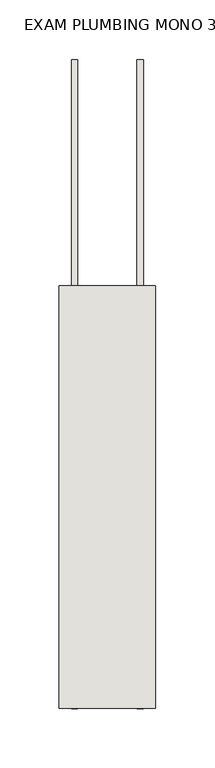
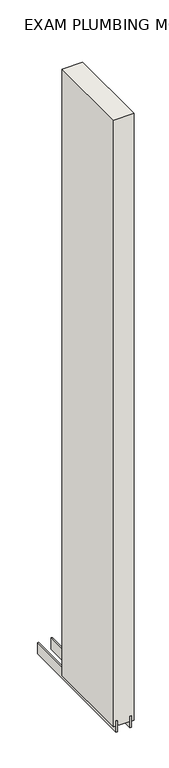
"""IFC4 building model written with IfcOpenShell, lengths in millimetres: wall geometry, EXAM PLUMBING MONO 390909 : EXAM PLUMBING MONO 390909."""

from ifc_helpers import new_model, si_unit, frame, origin, place, context, project, spatial, polyline, outline, extrude, source, transform, mapped, element, save


def exam_plumbing_mono_390909_exam_plumbing_mono_390909_ed636715(model_context):
    return source(origin(), model_context, "Body", "SweptSolid", [
        extrude(outline(polyline([(78033.282211, -41125.4537916), (78033.282211, -41127.9937916), (78030.742211, -41127.9937916), (78030.742211, -41125.4537916), (78033.282211, -41125.4537916)])), frame((0.0, 0.0, 4419.6), z_axis=(0.0, 0.0, 1.0), x_axis=(1.0, 0.0, 0.0)), (0.0, 0.0, 1.0), 2.54),
        extrude(outline(polyline([(78006.9284664, -40934.9463494), (78006.9284664, -41481.0463494), (78001.849711, -41481.0463494), (78001.849711, -40934.9463494), (78006.9284664, -40934.9463494)])), frame((0.0, 0.0, 4418.6602), z_axis=(0.0, 0.0, 1.0), x_axis=(1.0, 0.0, 0.0)), (0.0, 0.0, 1.0), 47.625),
        extrude(outline(polyline([(78006.9284664, -40934.9463494), (78006.9284664, -41481.0463494), (78001.849711, -41481.0463494), (78001.849711, -40934.9463494), (78006.9284664, -40934.9463494)])), frame((0.0, 0.0, 4418.6602), z_axis=(0.0, 0.0, 1.0), x_axis=(1.0, 0.0, 0.0)), (0.0, 0.0, 1.0), 47.625),
        extrude(outline(polyline([(78057.0959556, -41481.0463494), (78057.0959556, -40934.9463494), (78062.174711, -40934.9463494), (78062.174711, -41481.0463494), (78057.0959556, -41481.0463494)])), frame((0.0, 0.0, 4418.6602), z_axis=(0.0, 0.0, 1.0), x_axis=(1.0, 0.0, 0.0)), (0.0, 0.0, 1.0), 47.625),
        extrude(outline(polyline([(78057.0959556, -41481.0463494), (78057.0959556, -40934.9463494), (78062.174711, -40934.9463494), (78062.174711, -41481.0463494), (78057.0959556, -41481.0463494)])), frame((0.0, 0.0, 4418.6602), z_axis=(0.0, 0.0, 1.0), x_axis=(1.0, 0.0, 0.0)), (0.0, 0.0, 1.0), 47.625),
        extrude(outline(polyline([(77991.3573266, -41125.4463494), (78072.6670954, -41125.4463494), (78072.6670954, -41481.0463494), (77991.3573266, -41481.0463494), (77991.3573266, -41125.4463494)])), frame((0.0, 0.0, 4445.0), z_axis=(0.0, 0.0, 1.0), x_axis=(1.0, 0.0, 0.0)), (0.0, 0.0, 1.0), 2562.4536762),
    ])


if __name__ == "__main__":
    model = new_model("IFC4")
    model_context = context("Model", 3, world=origin())
    ifc_project = project(units=[si_unit("LENGTHUNIT", "METRE", prefix="MILLI")], contexts=[model_context])
    site = spatial("IfcSite", under=ifc_project)
    building = spatial("IfcBuilding", under=site)
    placement = place(None, origin())
    exam_plumbing_mono_390909_exam_plumbing_mono_390909_shape = exam_plumbing_mono_390909_exam_plumbing_mono_390909_ed636715(model_context)
    element("IfcWall", 1, ObjectType="EXAM PLUMBING MONO 390909 : EXAM PLUMBING MONO 390909", at=placement, inside=building, context=model_context, shape_type="MappedRepresentation", body=[
        mapped(exam_plumbing_mono_390909_exam_plumbing_mono_390909_shape, transform((0.0, 0.0, 0.0), x_axis=(1.0, 0.0, 0.0), y_axis=(0.0, 1.0, 0.0), z_axis=(0.0, 0.0, 1.0))),
    ])
    save(model, "model.ifc")
